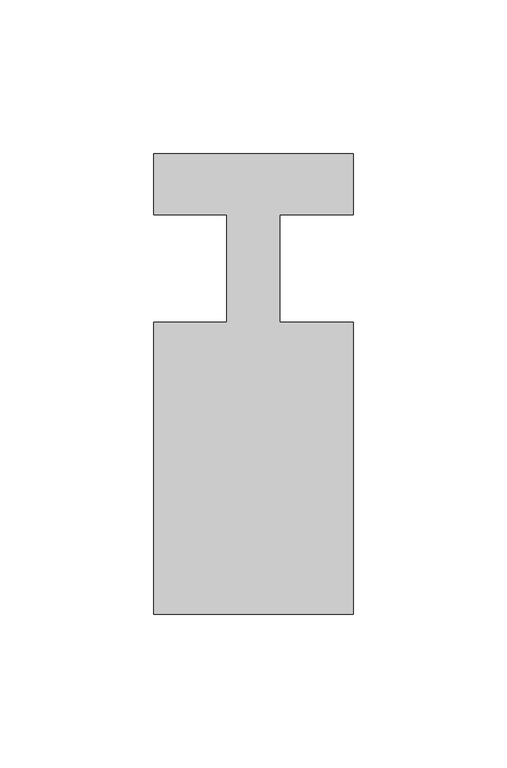
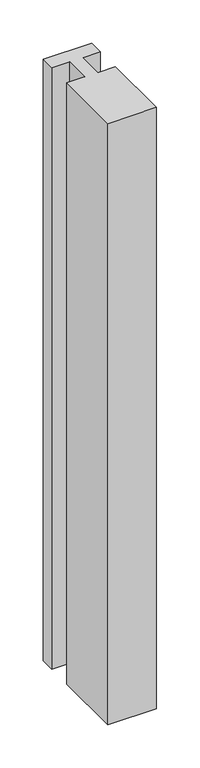
"""IFC4 building model written with IfcOpenShell, lengths in millimetres: member geometry."""

import ifcopenshell
import ifcopenshell.guid

model = None  # the IFC model being written
_history = None  # IfcOwnerHistory: only IFC2X3 demands one
_inside = {}  # id of a spatial element -> (the spatial element, [elements in it])
_under = {}  # id of a project, library or spatial element -> (it, [spatial elements below it])
_declared = {}  # id of a project -> (the project, [libraries it declares])
_typed = {}  # id of a type object -> (the type object, [elements of that type])
_made_of = {}  # id of a material, layer set ... -> (it, [elements and type objects made of it])


def new_model(schema):
    """Start an empty IFC model of exactly this schema.

    Asked for "IFC4X3", IfcOpenShell would pick the latest addendum, in which some entities
    have other attributes; the version numbers below select the first issue.
    IFC2X3 requires an IfcOwnerHistory on every rooted entity: one is made here for all.
    """
    global model, _history
    if schema == "IFC4X3":
        model = ifcopenshell.file(schema_version=(4, 3, 0, 0))
    else:
        model = ifcopenshell.file(schema=schema)
    _inside.clear()
    _under.clear()
    _declared.clear()
    _typed.clear()
    _made_of.clear()
    _history = None
    if model.schema == "IFC2X3":
        org = make("IfcOrganization", Name="unknown")
        user = make(
            "IfcPersonAndOrganization",
            ThePerson=make("IfcPerson", FamilyName="unknown"),
            TheOrganization=org,
        )
        app = make(
            "IfcApplication",
            ApplicationDeveloper=org,
            Version="unknown",
            ApplicationFullName="unknown",
            ApplicationIdentifier="unknown",
        )
        _history = make(
            "IfcOwnerHistory",
            OwningUser=user,
            OwningApplication=app,
            ChangeAction="ADDED",
            CreationDate=0,
        )
    return model


def make(cls, **values):
    """One entity of the class cls with the attributes given. An attribute that is None is left unset."""
    return model.create_entity(
        cls, **{name: value for name, value in values.items() if value is not None}
    )


def rooted(cls, **values):
    """An entity with a GlobalId (a new one), such as an element, a storey or a relation."""
    return make(cls, GlobalId=ifcopenshell.guid.new(), OwnerHistory=_history, **values)


def si_unit(unit_type, name, prefix=None):
    """IfcSIUnit, for example si_unit("LENGTHUNIT", "METRE", prefix="MILLI")."""
    return make("IfcSIUnit", UnitType=unit_type, Prefix=prefix, Name=name)


def assignment(units):
    """IfcUnitAssignment: the units of a project."""
    return None if units is None else make("IfcUnitAssignment", Units=units)


def point(xyz):
    """IfcCartesianPoint."""
    return None if xyz is None else make("IfcCartesianPoint", Coordinates=xyz)


def direction(xyz):
    """IfcDirection."""
    return None if xyz is None else make("IfcDirection", DirectionRatios=xyz)


def frame(location, z_axis=None, x_axis=None):
    """IfcAxis2Placement3D, a coordinate frame: its origin and axes. An axis left out is left unset."""
    return make(
        "IfcAxis2Placement3D",
        Location=point(location),
        Axis=direction(z_axis),
        RefDirection=direction(x_axis),
    )


def origin():
    """The frame at (0, 0, 0) with its axes left unset."""
    return frame((0.0, 0.0, 0.0))


def place(relative_to, where):
    """IfcLocalPlacement: puts the frame where relative to a parent placement (None: the world)."""
    return make(
        "IfcLocalPlacement", PlacementRelTo=relative_to, RelativePlacement=where
    )


def context(
    kind, dimensions, precision=None, world=None, true_north=None, identifier=None
):
    """IfcGeometricRepresentationContext, for example the 3D "Model" context."""
    return make(
        "IfcGeometricRepresentationContext",
        ContextIdentifier=identifier,
        ContextType=kind,
        CoordinateSpaceDimension=dimensions,
        Precision=precision,
        WorldCoordinateSystem=world,
        TrueNorth=true_north,
    )


def project(units=None, contexts=None):
    """IfcProject with its units and contexts."""
    return rooted(
        "IfcProject",
        Name="project",
        RepresentationContexts=contexts,
        UnitsInContext=assignment(units),
    )


def spatial(cls, under=None, at=None, **own):
    """A site, building, storey or space (cls), placed at a placement, below another one or the project."""
    s = rooted(cls, ObjectPlacement=at, **own)
    if under is not None:
        _under.setdefault(under.id(), (under, []))[1].append(s)
    return s


def polyline(points):
    """IfcPolyline through the points."""
    return make("IfcPolyline", Points=[point(p) for p in points])


def outline(outer, holes=None, kind="AREA"):
    """IfcArbitraryClosedProfileDef: a profile drawn as a closed curve; with holes, ...WithVoids."""
    if holes is None:
        return make("IfcArbitraryClosedProfileDef", ProfileType=kind, OuterCurve=outer)
    return make(
        "IfcArbitraryProfileDefWithVoids",
        ProfileType=kind,
        OuterCurve=outer,
        InnerCurves=holes,
    )


def extrude(swept, where, along, depth):
    """IfcExtrudedAreaSolid: the profile swept, set in the frame where, extruded along a direction by depth."""
    return make(
        "IfcExtrudedAreaSolid",
        SweptArea=swept,
        Position=where,
        ExtrudedDirection=direction(along),
        Depth=depth,
    )


def shape(context_of_items, identifier, shape_type, items):
    """IfcShapeRepresentation: the items that make up one representation, for example the "Body"."""
    return make(
        "IfcShapeRepresentation",
        ContextOfItems=context_of_items,
        RepresentationIdentifier=identifier,
        RepresentationType=shape_type,
        Items=items,
    )


def source(mapping_origin, context_of_items, identifier, shape_type, items):
    """IfcRepresentationMap: a shape defined once, which mapped items show again and again."""
    return make(
        "IfcRepresentationMap",
        MappingOrigin=mapping_origin,
        MappedRepresentation=shape(context_of_items, identifier, shape_type, items),
    )


def transform(
    local_origin,
    x_axis=None,
    y_axis=None,
    z_axis=None,
    scale=None,
    scale2=None,
    scale3=None,
    uniform=True,
):
    """IfcCartesianTransformationOperator3D, or its non-uniform kind. x_axis, y_axis, z_axis: its Axis1, 2, 3."""
    if uniform:
        return make(
            "IfcCartesianTransformationOperator3D",
            Axis1=direction(x_axis),
            Axis2=direction(y_axis),
            LocalOrigin=point(local_origin),
            Scale=scale,
            Axis3=direction(z_axis),
        )
    return make(
        "IfcCartesianTransformationOperator3DnonUniform",
        Axis1=direction(x_axis),
        Axis2=direction(y_axis),
        LocalOrigin=point(local_origin),
        Scale=scale,
        Axis3=direction(z_axis),
        Scale2=scale2,
        Scale3=scale3,
    )


def mapped(mapping_source, mapping_target):
    """IfcMappedItem: shows the shape of a source again, moved by a transform."""
    return make(
        "IfcMappedItem", MappingSource=mapping_source, MappingTarget=mapping_target
    )


def made_of(thing, what):
    """Note that an element or type object is made of a material, layer set ...; save() writes the relation."""
    if what is not None:
        _made_of.setdefault(what.id(), (what, []))[1].append(thing)
    return thing


def element(
    cls,
    number,
    at=None,
    inside=None,
    cuts=None,
    type_object=None,
    material=None,
    context=None,
    identifier="Body",
    shape_type=None,
    held_by="IfcProductDefinitionShape",
    body=None,
    shapes=None,
    **own,
):
    """One element of the class cls, such as IfcWall. Its Tag is "e" and its number.

    at: its placement. inside: the storey or other place that contains it. cuts: it is an
    opening in that element (IfcRelVoidsElement). A single representation is given by context,
    identifier, shape_type and body (its items); several are given by shapes. held_by: the class
    of the entity that holds the representations. save() writes the other relations.
    """
    e = rooted(cls, Tag="e%d" % number, ObjectPlacement=at, **own)
    if body is not None:
        shapes = [shape(context, identifier, shape_type, body)]
    if shapes is not None:
        e.Representation = make(held_by, Representations=shapes)
    if inside is not None:
        _inside.setdefault(inside.id(), (inside, []))[1].append(e)
    if cuts is not None:
        rooted(
            "IfcRelVoidsElement", RelatingBuildingElement=cuts, RelatedOpeningElement=e
        )
    if type_object is not None:
        _typed.setdefault(type_object.id(), (type_object, []))[1].append(e)
    return made_of(e, material)


def aggregate(whole, parts):
    """IfcRelAggregates: a whole, such as a stair, and the parts it consists of."""
    return rooted("IfcRelAggregates", RelatingObject=whole, RelatedObjects=parts)


def save(model, path):
    """Write the relations noted so far, then the file.

    IfcRelAggregates (storeys below a building ...), IfcRelContainedInSpatialStructure (elements
    in a storey), IfcRelDefinesByType, IfcRelAssociatesMaterial and IfcRelDeclares: one each for
    every whole, place, type object, material and project.
    """
    for whole, parts in _under.values():
        aggregate(whole, parts)
    for where, things in _inside.values():
        rooted(
            "IfcRelContainedInSpatialStructure",
            RelatedElements=things,
            RelatingStructure=where,
        )
    for kind, things in _typed.values():
        rooted("IfcRelDefinesByType", RelatedObjects=things, RelatingType=kind)
    for what, things in _made_of.values():
        rooted("IfcRelAssociatesMaterial", RelatedObjects=things, RelatingMaterial=what)
    for by, libraries in _declared.values():
        rooted("IfcRelDeclares", RelatingContext=by, RelatedDefinitions=libraries)
    model.write(path)


def member_d7f49c75(model_context):
    return source(origin(), model_context, "Body", "SweptSolid", [
        extrude(outline(polyline([(0.0, 37.0), (0.0, 17.0), (-23.8125, 17.0), (-23.8125, -18.0), (0.0, -18.0), (0.0, -113.0), (-65.0, -113.0), (-65.0, -18.0), (-41.1875, -18.0), (-41.1875, 17.0), (-65.0, 17.0), (-65.0, 37.0), (0.0, 37.0)])), frame((0.0, 0.0, -850.2884118), z_axis=(0.0, 0.0, 1.0), x_axis=(1.0, 0.0, 0.0)), (0.0, 0.0, 1.0), 850.2884118),
    ])


if __name__ == "__main__":
    model = new_model("IFC4")
    model_context = context("Model", 3, world=origin())
    ifc_project = project(units=[si_unit("LENGTHUNIT", "METRE", prefix="MILLI")], contexts=[model_context])
    site = spatial("IfcSite", under=ifc_project)
    building = spatial("IfcBuilding", under=site)
    placement = place(None, origin())
    member_shape = member_d7f49c75(model_context)
    element("IfcMember", 1, at=placement, inside=building, context=model_context, shape_type="MappedRepresentation", body=[
        mapped(member_shape, transform((0.0, 0.0, 0.0), x_axis=(1.0, 0.0, 0.0), y_axis=(0.0, 1.0, 0.0), z_axis=(0.0, 0.0, 1.0))),
    ])
    save(model, "model.ifc")
